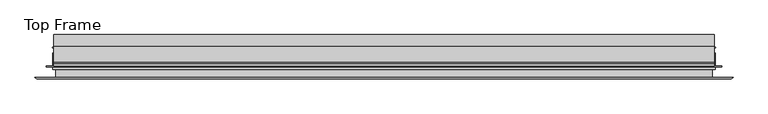
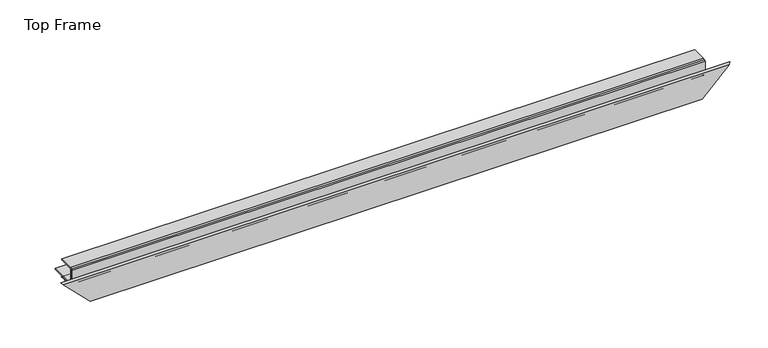
"""IFC4 building model written with IfcOpenShell, lengths in millimetres: proxy geometry, Top Frame."""

from ifc_helpers import new_model, si_unit, point, frame, frame_2d, origin, place, context, project, spatial, polyline, circle_curve, ellipse_curve, trimmed, segment, composite_curve, outline, extrude, source, transform, mapped, element, save
from ifc_brep_helpers import plane_surface, cylinder_surface, advanced_brep


def top_frame_af4bead0(model_context):
    return source(origin(), model_context, "Body", "SolidModel", [
        extrude(outline(composite_curve([segment(polyline([(142.2300781, 235.2841824), (101.5018112, 235.2841824)]), True, "CONTINUOUS"), segment(trimmed(circle_curve(frame_2d((101.5018112, 237.7098824)), 2.4257), [point((101.5018112, 235.2841824))], [point((99.0761112, 237.7098824))], False, "CARTESIAN"), True, "CONTINUOUS"), segment(polyline([(99.0761112, 237.7098824), (99.0761112, 260.8492824)]), True, "CONTINUOUS"), segment(trimmed(circle_curve(frame_2d((101.5018112, 260.8492824)), 2.4257), [point((99.0761112, 260.8492824))], [point((101.5018112, 263.2749824))], False, "CARTESIAN"), True, "CONTINUOUS"), segment(polyline([(101.5018112, 263.2749824), (124.4761112, 263.2749824), (124.4761112, 261.6620824), (101.5187721, 261.6620824)]), True, "CONTINUOUS"), segment(trimmed(circle_curve(frame_2d((101.5187721, 260.8323216)), 0.8297608), [point((101.5187721, 261.6620824))], [point((100.6890112, 260.8323216))], True, "CARTESIAN"), True, "CONTINUOUS"), segment(polyline([(100.6890112, 260.8323216), (100.6890112, 237.7098824)]), True, "CONTINUOUS"), segment(trimmed(circle_curve(frame_2d((101.5018112, 237.7098824)), 0.8128), [point((100.6890112, 237.7098824))], [point((101.5018112, 236.8970824))], True, "CARTESIAN"), True, "CONTINUOUS"), segment(polyline([(101.5018112, 236.8970824), (142.2300781, 236.8970824), (142.2300781, 235.2841824)]), True, "CONTINUOUS")], self_intersect=False)), frame((-153.8169575, 0.0, 0.0), z_axis=(1.0, 0.0, 0.0), x_axis=(0.0, 1.0, 0.0)), (0.0, 0.0, 1.0), 983.4569647),
        extrude(outline(polyline([(829.6400072, 95.9011112), (-153.8169575, 95.9011112), (-153.8169575, 99.0761112), (829.6400072, 99.0761112), (829.6400072, 95.9011112)])), frame((0.0, 0.0, 236.5795824), z_axis=(0.0, 0.0, 1.0), x_axis=(1.0, 0.0, 0.0)), (0.0, 0.0, 1.0), 25.4),
        advanced_brep(
        [(-151.2455434, 77.6321612, 230.8645824), (827.0244128, 77.6321612, 230.8645824), (827.0244128, 90.6620297, 230.8645824), (-151.2455434, 90.6620297, 230.8645824), (831.4440128, 90.6620297, 235.2841824), (-155.6651434, 90.6620297, 235.2841824), (831.4440128, 94.3803043, 235.2841824), (-155.6651434, 94.3803043, 235.2841824), (840.5885772, 94.3803043, 244.4287468), (-164.8097078, 94.3803043, 244.4287468), (840.5885772, 95.8979182, 244.4287468), (-164.8097078, 95.8979182, 244.4287468), (831.4440128, 95.8979182, 235.2841824), (-155.6651434, 95.8979182, 235.2841824), (831.4440128, 115.1606612, 235.2841824), (-155.6651434, 115.1606612, 235.2841824), (824.9162128, 115.1606612, 228.7563824), (-149.1373434, 115.1606612, 228.7563824), (824.9162128, 122.1488543, 228.7563824), (-149.1373434, 122.1488543, 228.7563824), (831.0635772, 122.1488543, 234.9037468), (-155.2847078, 122.1488543, 234.9037468), (831.0635772, 123.6696612, 234.9037468), (-155.2847078, 123.6696612, 234.9037468), (823.3922128, 123.6696612, 227.2323824), (-147.6133434, 123.6696612, 227.2323824), (823.3922128, 119.8564682, 227.2323824), (-147.6133434, 119.8564682, 227.2323824), (-147.6133434, 118.3272703, 227.2323824), (823.3922128, 118.3272703, 227.2323824), (823.3922128, 115.1606612, 227.2323824), (-147.6133434, 115.1606612, 227.2323824), (815.2134128, 115.1606612, 219.0535824), (-139.4345434, 115.1606612, 219.0535824), (815.2134128, 118.3272703, 219.0535824), (-139.4345434, 118.3272703, 219.0535824), (-137.6565434, 119.8564682, 217.2755824), (813.4354128, 119.8564682, 217.2755824), (813.4354128, 113.3826612, 217.2755824), (-137.6565434, 113.3826612, 217.2755824), (829.6660128, 113.3826612, 233.5061824), (-153.8871434, 113.3826612, 233.5061824), (829.6660128, 108.4927874, 233.5061824), (-153.8871434, 108.4927874, 233.5061824), (-153.8871434, 107.3505351, 233.5061824), (829.6660128, 107.3505351, 233.5061824), (829.6660128, 102.5144516, 233.5061824), (-153.8871434, 102.5144516, 233.5061824), (-153.8871434, 100.3016612, 233.5061824), (829.6660128, 100.3016612, 233.5061824), (829.6660128, 92.4400297, 233.5061824), (-153.8871434, 92.4400297, 233.5061824), (822.5159128, 92.4400297, 226.3560824), (-146.7370434, 92.4400297, 226.3560824), (822.5159128, 89.7304417, 226.3560824), (-146.7370434, 89.7304417, 226.3560824), (825.0732564, 90.6612387, 228.913426), (-149.294387, 90.6612387, 228.913426), (-139.6055265, 90.6620297, 219.2245655), (815.384396, 90.6620297, 219.2245655), (817.9439128, 89.7304417, 221.7840824), (-142.1650434, 89.7304417, 221.7840824), (817.9439128, 92.1860297, 221.7840824), (-142.1650434, 92.1860297, 221.7840824), (813.4354128, 92.1860297, 217.2755824), (-137.6565434, 92.1860297, 217.2755824), (813.4354128, 75.8541612, 217.2755824), (-137.6565434, 75.8541612, 217.2755824), (855.1366051, 75.8541612, 258.9767747), (-179.3577357, 75.8541612, 258.9767747), (-178.5371532, 77.6321612, 258.1561922), (854.3160227, 77.6321612, 258.1561922), (-179.333326, 78.4283341, 258.9523651), (855.1121955, 78.4283341, 258.9523651), (857.7107779, 78.4283341, 261.5509475), (-181.9319085, 78.4283341, 261.5509475), (-139.6055265, 77.6321612, 219.2245655), (815.384396, 77.6321612, 219.2245655), (-142.944387, 77.6321612, 222.563426), (818.7232564, 77.6321612, 222.563426), (-142.944387, 79.3102746, 222.563426), (818.7232564, 79.3102746, 222.563426), (-146.0064683, 79.3102746, 225.6255073), (821.7853377, 79.3102746, 225.6255073), (-146.0064683, 77.6321612, 225.6255073), (821.7853377, 77.6321612, 225.6255073), (-149.294387, 77.6321612, 228.913426), (825.0732564, 77.6321612, 228.913426), (-152.4924528, 100.3016612, 232.1114918), (828.2713222, 100.3016612, 232.1114918), (-152.4924528, 102.5144516, 232.1114918), (828.2713222, 102.5144516, 232.1114918), (-154.702796, 107.9216612, 234.321835), (830.4816655, 107.9216612, 234.321835), (-141.3083483, 119.8564682, 220.9273873), (817.0872177, 119.8564682, 220.9273873), (-141.3083483, 118.3272703, 220.9273873), (817.0872177, 118.3272703, 220.9273873), (-145.9196644, 118.3272703, 225.5387035), (821.6985339, 118.3272703, 225.5387035), (-145.9196644, 119.8564682, 225.5387035), (821.6985339, 119.8564682, 225.5387035)],
        [
            (0, 1),
            (1, 2),
            (2, 3),
            (3, 0),
            (2, 4),
            (4, 5),
            (5, 3),
            (4, 6),
            (6, 7),
            (7, 5),
            (6, 8),
            (8, 9),
            (9, 7),
            (8, 10, ellipse_curve(frame((840.1967232, 95.1391112, 244.0368928), z_axis=(-0.707106781186548, 0.0, 0.707106781186547), x_axis=(-0.7071067811865471, 0.0, -0.707106781186548)), 1.2077563, 0.8540127)),
            (10, 11),
            (11, 9, ellipse_curve(frame((-164.4178538, 95.1391112, 244.0368928), z_axis=(0.7071067811865469, 0.0, 0.7071067811865482), x_axis=(-0.707106781186548, 0.0, 0.7071067811865469)), 1.2077563, 0.8540127)),
            (10, 12),
            (12, 13),
            (13, 11),
            (12, 14),
            (14, 15),
            (15, 13),
            (14, 16),
            (16, 17),
            (17, 15),
            (16, 18),
            (18, 19),
            (19, 17),
            (18, 20),
            (20, 21),
            (21, 19),
            (20, 22, ellipse_curve(frame((830.7232759, 122.9092578, 234.5634454), z_axis=(-0.707106781186548, 0.0, 0.707106781186547), x_axis=(-0.7071067811865471, 0.0, -0.707106781186548)), 1.1781498, 0.8330777)),
            (22, 23),
            (23, 21, ellipse_curve(frame((-154.9444064, 122.9092578, 234.5634454), z_axis=(0.7071067811865469, 0.0, 0.7071067811865482), x_axis=(-0.707106781186548, 0.0, 0.7071067811865469)), 1.1781498, 0.8330777)),
            (22, 24),
            (24, 25),
            (25, 23),
            (24, 26),
            (26, 27),
            (27, 25),
            (28, 29),
            (29, 30),
            (30, 31),
            (31, 28),
            (30, 32),
            (32, 33),
            (33, 31),
            (32, 34),
            (34, 35),
            (35, 33),
            (36, 37),
            (37, 38),
            (38, 39),
            (39, 36),
            (38, 40),
            (40, 41),
            (41, 39),
            (40, 42),
            (42, 43),
            (43, 41),
            (44, 45),
            (45, 46),
            (46, 47),
            (47, 44),
            (48, 49),
            (49, 50),
            (50, 51),
            (51, 48),
            (50, 52),
            (52, 53),
            (53, 51),
            (52, 54),
            (54, 55),
            (55, 53),
            (54, 56),
            (56, 57),
            (57, 55),
            (58, 59),
            (59, 60),
            (60, 61),
            (61, 58),
            (60, 62),
            (62, 63),
            (63, 61),
            (62, 64),
            (64, 65),
            (65, 63),
            (64, 66),
            (66, 67),
            (67, 65),
            (66, 68),
            (68, 69),
            (69, 67),
            (70, 71),
            (71, 1),
            (0, 70),
            (72, 73),
            (73, 71),
            (70, 72),
            (74, 73),
            (72, 75),
            (75, 74),
            (75, 69),
            (68, 74),
            (76, 77),
            (77, 59),
            (58, 76),
            (78, 79),
            (79, 77),
            (76, 78),
            (80, 81),
            (81, 79),
            (78, 80),
            (82, 83),
            (83, 81),
            (80, 82),
            (84, 85),
            (85, 83),
            (82, 84),
            (86, 87),
            (87, 85),
            (84, 86),
            (56, 87),
            (86, 57),
            (88, 89),
            (89, 49),
            (48, 88),
            (90, 91),
            (91, 89),
            (88, 90),
            (46, 91),
            (90, 47),
            (92, 93),
            (93, 45),
            (44, 92),
            (42, 93),
            (92, 43),
            (94, 95),
            (95, 37),
            (36, 94),
            (96, 97),
            (97, 95),
            (94, 96),
            (34, 97),
            (96, 35),
            (98, 99),
            (99, 29),
            (28, 98),
            (100, 101),
            (101, 99),
            (98, 100),
            (26, 101),
            (100, 27),
        ],
        [
            plane_surface(frame((-181.9319085, 90.6620297, 230.8645824), z_axis=(0.0, 0.0, 1.0), x_axis=(1.0, 0.0, 0.0))),
            plane_surface(frame((-181.9319085, 90.6620297, 235.2841824), z_axis=(0.0, -1.0, 0.0), x_axis=(1.0, 0.0, 0.0))),
            plane_surface(frame((-181.9319085, 94.3803043, 235.2841824), z_axis=(0.0, 0.0, 1.0), x_axis=(1.0, 0.0, 0.0))),
            plane_surface(frame((-181.9319085, 94.3803043, 244.4287468), z_axis=(0.0, -1.0, 0.0), x_axis=(1.0, 0.0, 0.0))),
            cylinder_surface(frame((-181.9319085, 95.1391112, 244.0368928), z_axis=(-1.0, 0.0, 0.0), x_axis=(0.0, -1.0, 0.0)), 0.8540127),
            plane_surface(frame((-181.9319085, 95.8979182, 235.2841824), z_axis=(0.0, 1.0, 0.0), x_axis=(1.0, 0.0, 0.0))),
            plane_surface(frame((-181.9319085, 115.1606612, 235.2841824), z_axis=(0.0, 0.0, 1.0), x_axis=(1.0, 0.0, 0.0))),
            plane_surface(frame((-181.9319085, 115.1606612, 228.7563824), z_axis=(0.0, 1.0, 0.0), x_axis=(1.0, 0.0, 0.0))),
            plane_surface(frame((-181.9319085, 122.1488543, 228.7563824), z_axis=(0.0, 0.0, 1.0), x_axis=(1.0, 0.0, 0.0))),
            plane_surface(frame((-181.9319085, 122.1488543, 234.9037468), z_axis=(0.0, -1.0, 0.0), x_axis=(1.0, 0.0, 0.0))),
            cylinder_surface(frame((-181.9319085, 122.9092578, 234.5634454), z_axis=(-1.0, 0.0, 0.0), x_axis=(0.0, -1.0, 0.0)), 0.8330777),
            plane_surface(frame((-181.9319085, 123.6696612, 227.2323824), z_axis=(0.0, 1.0, 0.0), x_axis=(1.0, 0.0, 0.0))),
            plane_surface(frame((-181.9319085, 119.8564682, 227.2323824), z_axis=(0.0, 0.0, -1.0), x_axis=(1.0, 0.0, 0.0))),
            plane_surface(frame((-181.9319085, 115.1606612, 227.2323824), z_axis=(0.0, 0.0, -1.0), x_axis=(1.0, 0.0, 0.0))),
            plane_surface(frame((-181.9319085, 115.1606612, 219.0535824), z_axis=(0.0, 1.0, 0.0), x_axis=(1.0, 0.0, 0.0))),
            plane_surface(frame((-181.9319085, 118.3272703, 219.0535824), z_axis=(0.0, 0.0, 1.0), x_axis=(1.0, 0.0, 0.0))),
            plane_surface(frame((-181.9319085, 113.3826612, 217.2755824), z_axis=(0.0, 0.0, -1.0), x_axis=(1.0, 0.0, 0.0))),
            plane_surface(frame((-181.9319085, 113.3826612, 233.5061824), z_axis=(0.0, -1.0, 0.0), x_axis=(1.0, 0.0, 0.0))),
            plane_surface(frame((-181.9319085, 108.4927874, 233.5061824), z_axis=(0.0, 0.0, -1.0), x_axis=(1.0, 0.0, 0.0))),
            plane_surface(frame((-181.9319085, 102.5144516, 233.5061824), z_axis=(0.0, 0.0, -1.0), x_axis=(1.0, 0.0, 0.0))),
            plane_surface(frame((-181.9319085, 92.4400297, 233.5061824), z_axis=(0.0, 0.0, -1.0), x_axis=(1.0, 0.0, 0.0))),
            plane_surface(frame((-181.9319085, 92.4400297, 226.3560824), z_axis=(0.0, 1.0, 0.0), x_axis=(1.0, 0.0, 0.0))),
            plane_surface(frame((-181.9319085, 89.7304417, 226.3560824), z_axis=(0.0, 0.0, -1.0), x_axis=(1.0, 0.0, 0.0))),
            plane_surface(frame((-181.9319085, 90.6612387, 228.913426), z_axis=(0.0, -0.9396926207859121, 0.3420201433256587), x_axis=(1.0, 0.0, 0.0))),
            plane_surface(frame((-181.9319085, 89.7304417, 221.7840824), z_axis=(0.0, -0.9396926207859045, -0.3420201433256794), x_axis=(1.0, 0.0, 0.0))),
            plane_surface(frame((-181.9319085, 92.1860297, 221.7840824), z_axis=(0.0, 0.0, 1.0), x_axis=(1.0, 0.0, 0.0))),
            plane_surface(frame((-181.9319085, 92.1860297, 217.2755824), z_axis=(0.0, 1.0, 0.0), x_axis=(1.0, 0.0, 0.0))),
            plane_surface(frame((-181.9319085, 75.8541612, 217.2755824), z_axis=(0.0, 0.0, -1.0), x_axis=(1.0, 0.0, 0.0))),
            plane_surface(frame((-181.9319085, 75.8541612, 258.9767747), z_axis=(0.0, -1.0, 0.0), x_axis=(1.0, 0.0, 0.0))),
            plane_surface(frame((-181.9319085, 77.6321612, 230.8645824), z_axis=(0.0, 1.0, 0.0), x_axis=(1.0, 0.0, 0.0))),
            plane_surface(frame((-181.9319085, 77.6321612, 258.1561922), z_axis=(0.0, 0.707106781186555, -0.70710678118654), x_axis=(1.0, 0.0, 0.0))),
            plane_surface(frame((-181.9319085, 78.4283341, 258.9523651), z_axis=(0.0, 1.0, 0.0), x_axis=(1.0, 0.0, 0.0))),
            plane_surface(frame((-181.9319085, 78.4283341, 261.5509475), z_axis=(0.0, -0.7071067811865476, 0.7071067811865476), x_axis=(1.0, 0.0, 0.0))),
            plane_surface(frame((-181.9319085, 90.6620297, 219.2245655), z_axis=(0.0, 0.0, 1.0), x_axis=(1.0, 0.0, 0.0))),
            plane_surface(frame((-181.9319085, 77.6321612, 219.2245655), z_axis=(0.0, 1.0, 0.0), x_axis=(1.0, 0.0, 0.0))),
            plane_surface(frame((-181.9319085, 77.6321612, 222.563426), z_axis=(0.0, 0.0, -1.0), x_axis=(1.0, 0.0, 0.0))),
            plane_surface(frame((-181.9319085, 79.3102746, 222.563426), z_axis=(0.0, 1.0, 0.0), x_axis=(1.0, 0.0, 0.0))),
            plane_surface(frame((-181.9319085, 79.3102746, 225.6255073), z_axis=(0.0, 0.0, 1.0), x_axis=(1.0, 0.0, 0.0))),
            plane_surface(frame((-181.9319085, 77.6321612, 225.6255073), z_axis=(0.0, 1.0, 0.0), x_axis=(1.0, 0.0, 0.0))),
            plane_surface(frame((-181.9319085, 77.6321612, 228.913426), z_axis=(0.0, 0.0, -1.0), x_axis=(1.0, 0.0, 0.0))),
            plane_surface(frame((-181.9319085, 100.3016612, 233.5061824), z_axis=(0.0, -1.0, 0.0), x_axis=(1.0, 0.0, 0.0))),
            plane_surface(frame((-181.9319085, 100.3016612, 232.1114918), z_axis=(0.0, 0.0, -1.0), x_axis=(1.0, 0.0, 0.0))),
            plane_surface(frame((-181.9319085, 102.5144516, 232.1114918), z_axis=(0.0, 1.0, 0.0), x_axis=(1.0, 0.0, 0.0))),
            plane_surface(frame((-181.9319085, 107.3505351, 233.5061824), z_axis=(0.0, 0.8191520442889877, -0.573576436351052), x_axis=(1.0, 0.0, 0.0))),
            plane_surface(frame((-181.9319085, 107.9216612, 234.321835), z_axis=(0.0, -0.8191520442889936, -0.5735764363510437), x_axis=(1.0, 0.0, 0.0))),
            plane_surface(frame((-181.9319085, 119.8564682, 217.2755824), z_axis=(0.0, 1.0, 0.0), x_axis=(1.0, 0.0, 0.0))),
            plane_surface(frame((-181.9319085, 119.8564682, 220.9273873), z_axis=(0.0, 0.0, 1.0), x_axis=(1.0, 0.0, 0.0))),
            plane_surface(frame((-181.9319085, 118.3272703, 220.9273873), z_axis=(0.0, -1.0, 0.0), x_axis=(1.0, 0.0, 0.0))),
            plane_surface(frame((-181.9319085, 118.3272703, 227.2323824), z_axis=(0.0, -1.0, 0.0), x_axis=(1.0, 0.0, 0.0))),
            plane_surface(frame((-181.9319085, 118.3272703, 225.5387035), z_axis=(0.0, 0.0, -1.0), x_axis=(1.0, 0.0, 0.0))),
            plane_surface(frame((-181.9319085, 119.8564682, 225.5387035), z_axis=(0.0, 1.0, 0.0), x_axis=(1.0, 0.0, 0.0))),
            plane_surface(frame((-197.9003718, 56.8041612, 277.5194108), z_axis=(-0.7071067811865469, 0.0, -0.7071067811865482), x_axis=(0.0, 1.0, 0.0))),
            plane_surface(frame((803.8292412, 56.8041612, 207.6694108), z_axis=(0.707106781186548, 0.0, -0.707106781186547), x_axis=(0.0, 1.0, 0.0))),
        ],
        [
            (0, [[1, 2, 3, 4]]),
            (1, [[-3, 5, 6, 7]]),
            (2, [[-6, 8, 9, 10]]),
            (3, [[-9, 11, 12, 13]]),
            (4, [[-12, 14, 15, 16]]),
            (5, [[-15, 17, 18, 19]]),
            (6, [[-18, 20, 21, 22]]),
            (7, [[-21, 23, 24, 25]]),
            (8, [[-24, 26, 27, 28]]),
            (9, [[-27, 29, 30, 31]]),
            (10, [[-30, 32, 33, 34]]),
            (11, [[-33, 35, 36, 37]]),
            (12, [[-36, 38, 39, 40]]),
            (13, [[41, 42, 43, 44]]),
            (14, [[-43, 45, 46, 47]]),
            (15, [[-46, 48, 49, 50]]),
            (16, [[51, 52, 53, 54]]),
            (17, [[-53, 55, 56, 57]]),
            (18, [[-56, 58, 59, 60]]),
            (19, [[61, 62, 63, 64]]),
            (20, [[65, 66, 67, 68]]),
            (21, [[-67, 69, 70, 71]]),
            (22, [[-70, 72, 73, 74]]),
            (23, [[-73, 75, 76, 77]]),
            (24, [[78, 79, 80, 81]]),
            (25, [[-80, 82, 83, 84]]),
            (26, [[-83, 85, 86, 87]]),
            (27, [[-86, 88, 89, 90]]),
            (28, [[-89, 91, 92, 93]]),
            (29, [[94, 95, -1, 96]]),
            (30, [[97, 98, -94, 99]]),
            (31, [[100, -97, 101, 102]]),
            (32, [[103, -92, 104, -102]]),
            (33, [[105, 106, -78, 107]]),
            (34, [[108, 109, -105, 110]]),
            (35, [[111, 112, -108, 113]]),
            (36, [[114, 115, -111, 116]]),
            (37, [[117, 118, -114, 119]]),
            (38, [[120, 121, -117, 122]]),
            (39, [[-76, 123, -120, 124]]),
            (40, [[125, 126, -65, 127]]),
            (41, [[128, 129, -125, 130]]),
            (42, [[-63, 131, -128, 132]]),
            (43, [[133, 134, -61, 135]]),
            (44, [[-59, 136, -133, 137]]),
            (45, [[138, 139, -51, 140]]),
            (46, [[141, 142, -138, 143]]),
            (47, [[-49, 144, -141, 145]]),
            (48, [[146, 147, -41, 148]]),
            (49, [[149, 150, -146, 151]]),
            (50, [[-39, 152, -149, 153]]),
            (51, [[-7, -10, -13, -16, -19, -22, -25, -28, -31, -34, -37, -40, -153, -151, -148, -44, -47, -50, -145, -143, -140, -54, -57, -60, -137, -135, -64, -132, -130, -127, -68, -71, -74, -77, -124, -122, -119, -116, -113, -110, -107, -81, -84, -87, -90, -93, -103, -101, -99, -96, -4]]),
            (52, [[-95, -98, -100, -104, -91, -88, -85, -82, -79, -106, -109, -112, -115, -118, -121, -123, -75, -72, -69, -66, -126, -129, -131, -62, -134, -136, -58, -55, -52, -139, -142, -144, -48, -45, -42, -147, -150, -152, -38, -35, -32, -29, -26, -23, -20, -17, -14, -11, -8, -5, -2]]),
        ],
    ),
    ])


if __name__ == "__main__":
    model = new_model("IFC4")
    model_context = context("Model", 3, world=origin())
    ifc_project = project(units=[si_unit("LENGTHUNIT", "METRE", prefix="MILLI")], contexts=[model_context])
    site = spatial("IfcSite", under=ifc_project)
    building = spatial("IfcBuilding", under=site)
    placement = place(None, origin())
    top_frame_shape = top_frame_af4bead0(model_context)
    element("IfcBuildingElementProxy", 1, Name="Top Frame", ObjectType="Top Frame", at=placement, inside=building, context=model_context, shape_type="MappedRepresentation", body=[
        mapped(top_frame_shape, transform((0.0, 0.0, 0.0), x_axis=(1.0, 0.0, 0.0), y_axis=(0.0, 1.0, 0.0), z_axis=(0.0, 0.0, 1.0))),
    ])
    save(model, "model.ifc")
